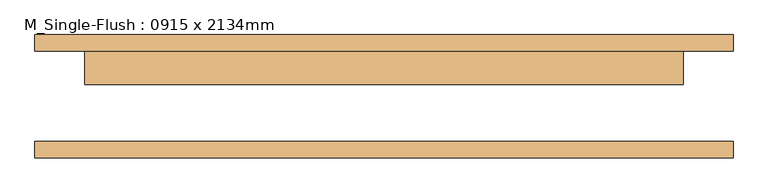
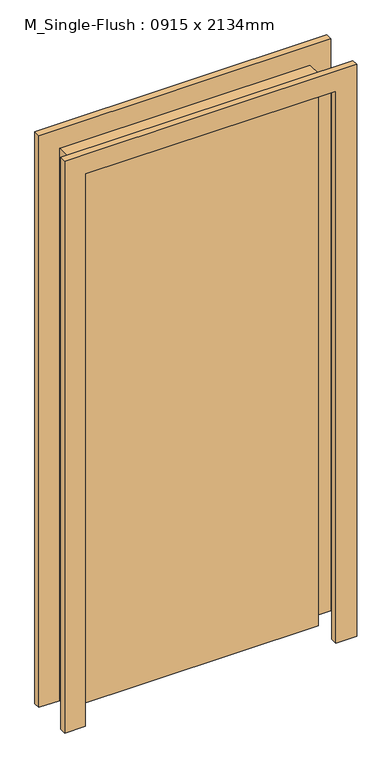
"""IFC4 building model written with IfcOpenShell, lengths in millimetres: door geometry, M_Single-Flush : 0915 x 2134mm."""

from ifc_helpers import new_model, si_unit, frame, origin, origin_with_axes, place, context, project, spatial, polyline, outline, extrude, source, transform, mapped, element, save


def m_single_flush_0915_x_2134mm_83e8e835(model_context):
    return source(origin(), model_context, "Body", "SweptSolid", [
        extrude(outline(polyline([(2210.0, -533.5), (0.0, -533.5), (0.0, -457.5), (2134.0, -457.5), (2134.0, 457.5), (0.0, 457.5), (0.0, 533.5), (2210.0, 533.5), (2210.0, -533.5)])), frame((0.0, 69.25, 0.0), z_axis=(0.0, 1.0, 0.0), x_axis=(0.0, 0.0, 1.0)), (0.0, 0.0, 1.0), 25.0),
        extrude(outline(polyline([(2210.0, 533.5), (2210.0, -533.5), (0.0, -533.5), (0.0, -457.5), (2134.0, -457.5), (2134.0, 457.5), (0.0, 457.5), (0.0, 533.5), (2210.0, 533.5)])), frame((0.0, -94.25, 0.0), z_axis=(0.0, 1.0, 0.0), x_axis=(0.0, 0.0, 1.0)), (0.0, 0.0, 1.0), 25.0),
        extrude(outline(polyline([(457.5, 18.25), (-457.5, 18.25), (-457.5, 69.25), (457.5, 69.25), (457.5, 18.25)])), origin_with_axes(), (0.0, 0.0, 1.0), 2134.0),
    ])


if __name__ == "__main__":
    model = new_model("IFC4")
    model_context = context("Model", 3, world=origin())
    ifc_project = project(units=[si_unit("LENGTHUNIT", "METRE", prefix="MILLI")], contexts=[model_context])
    site = spatial("IfcSite", under=ifc_project)
    building = spatial("IfcBuilding", under=site)
    placement = place(None, origin())
    m_single_flush_0915_x_2134mm_shape = m_single_flush_0915_x_2134mm_83e8e835(model_context)
    element("IfcDoor", 1, ObjectType="M_Single-Flush : 0915 x 2134mm", at=placement, inside=building, context=model_context, shape_type="MappedRepresentation", body=[
        mapped(m_single_flush_0915_x_2134mm_shape, transform((0.0, 0.0, 0.0), x_axis=(1.0, 0.0, 0.0), y_axis=(0.0, 1.0, 0.0), z_axis=(0.0, 0.0, 1.0))),
    ])
    save(model, "model.ifc")
